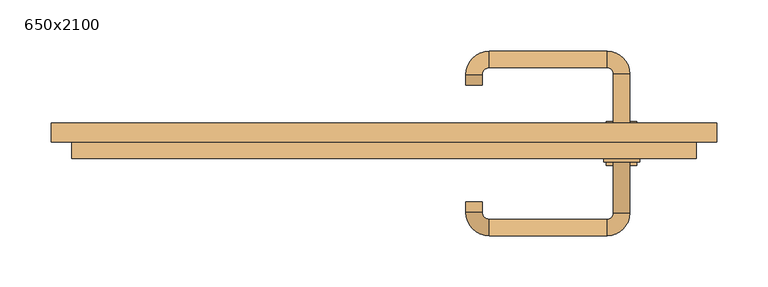
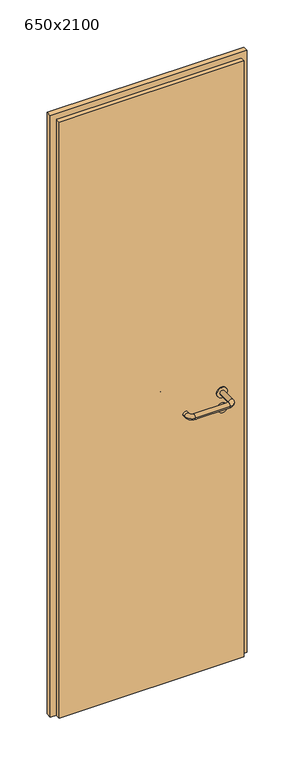
"""IFC4 building model written with IfcOpenShell, lengths in millimetres: door geometry, 650x2100."""

from ifc_helpers import new_model, si_unit, point, frame, frame_2d, origin, origin_with_axes, place, context, project, spatial, polyline, circle_curve, ellipse_curve, trimmed, segment, composite_curve, outline, extrude, source, transform, mapped, element, save
from ifc_brep_helpers import plane_surface, cylinder_surface, revolved_surface, advanced_brep


def door_650x2100_5a0af24a(model_context):
    return source(origin(), model_context, "Body", "SolidModel", [
        extrude(outline(composite_curve([segment(trimmed(circle_curve(frame_2d((897.3605726, 232.0)), 15.0), [point((897.3605726, 247.0))], [point((897.3605726, 217.0))], False, "CARTESIAN"), True, "CONTINUOUS"), segment(trimmed(circle_curve(frame_2d((897.3605726, 232.0)), 15.0), [point((897.3605726, 217.0))], [point((897.3605726, 247.0))], False, "CARTESIAN"), True, "CONTINUOUS")], self_intersect=False), holes=[composite_curve([segment(trimmed(circle_curve(frame_2d((892.5833211, 231.9398032)), 2.0), [point((892.5833211, 233.9398032))], [point((892.5833211, 229.9398032))], True, "CARTESIAN"), True, "CONTINUOUS"), segment(polyline([(892.5833211, 229.9398032), (902.5833211, 229.9398032)]), True, "CONTINUOUS"), segment(trimmed(circle_curve(frame_2d((902.5833211, 231.9398032)), 2.0), [point((902.5833211, 229.9398032))], [point((902.5833211, 233.9398032))], True, "CARTESIAN"), True, "CONTINUOUS"), segment(polyline([(902.5833211, 233.9398032), (892.5833211, 233.9398032)]), True, "CONTINUOUS")], self_intersect=False)]), frame((0.0, -31.35, 0.0), z_axis=(0.0, 1.0, 0.0), x_axis=(0.0, 0.0, 1.0)), (0.0, 0.0, 1.0), 6.35),
        extrude(outline(composite_curve([segment(trimmed(circle_curve(frame_2d((950.0, 232.0)), 17.526), [point((950.0, 249.526))], [point((950.0, 214.474))], False, "CARTESIAN"), True, "CONTINUOUS"), segment(trimmed(circle_curve(frame_2d((950.0, 232.0)), 17.526), [point((950.0, 214.474))], [point((950.0, 249.526))], False, "CARTESIAN"), True, "CONTINUOUS")], self_intersect=False)), frame((0.0, -28.175, 0.0), z_axis=(0.0, 1.0, 0.0), x_axis=(0.0, 0.0, 1.0)), (0.0, 0.0, 1.0), 3.175),
        advanced_brep(
        [(240.0, -25.0, 950.0), (224.0, -25.0, 950.0), (224.0, -78.0, 950.0), (240.0, -78.0, 950.0), (217.8578644, -84.1421356, 950.0), (217.8578644, -100.1421356, 950.0), (102.8578644, -84.1421356, 950.0), (102.8578644, -100.1421356, 950.0), (96.008622, -77.2928932, 950.0), (80.008622, -77.2928932, 950.0), (80.008622, -67.2928932, 950.0), (96.008622, -67.2928932, 950.0)],
        [
            (0, 1, circle_curve(frame((232.0, -25.0, 950.0), z_axis=(0.0, 1.0, 0.0), x_axis=(-1.0, 0.0, 0.0)), 8.0)),
            (1, 0, circle_curve(frame((232.0, -25.0, 950.0), z_axis=(0.0, 1.0, 0.0), x_axis=(-1.0, 0.0, 0.0)), 8.0)),
            (1, 2),
            (2, 3, circle_curve(frame((232.0, -78.0, 950.0), z_axis=(0.0, 1.0, 0.0), x_axis=(-1.0, 0.0, 0.0)), 8.0)),
            (3, 0),
            (3, 2, circle_curve(frame((232.0, -78.0, 950.0), z_axis=(0.0, 1.0, 0.0), x_axis=(-1.0, 0.0, 0.0)), 8.0)),
            (4, 5, circle_curve(frame((217.8578644, -92.1421356, 950.0), z_axis=(1.0, 0.0, 0.0), x_axis=(0.0, 1.0, 0.0)), 8.0)),
            (5, 3, circle_curve(frame((217.8578644, -78.0, 950.0), z_axis=(0.0, 0.0, 1.0), x_axis=(1.0, 0.0, 0.0)), 22.1421356)),
            (2, 4, circle_curve(frame((217.8578644, -78.0, 950.0), z_axis=(0.0, 0.0, -1.0), x_axis=(1.0, 0.0, 0.0)), 6.1421356)),
            (5, 4, circle_curve(frame((217.8578644, -92.1421356, 950.0), z_axis=(1.0, 0.0, 0.0), x_axis=(0.0, 1.0, 0.0)), 8.0)),
            (4, 6),
            (6, 7, circle_curve(frame((102.8578644, -92.1421356, 950.0), z_axis=(1.0, 0.0, 0.0), x_axis=(0.0, 1.0, 0.0)), 8.0)),
            (7, 5),
            (7, 6, circle_curve(frame((102.8578644, -92.1421356, 950.0), z_axis=(1.0, 0.0, 0.0), x_axis=(0.0, 1.0, 0.0)), 8.0)),
            (8, 9, circle_curve(frame((88.008622, -77.2928932, 950.0), z_axis=(0.0, -1.0, 0.0), x_axis=(1.0, 0.0, 0.0)), 8.0)),
            (9, 7, circle_curve(frame((102.8578644, -77.2928932, 950.0), z_axis=(0.0, 0.0, 1.0), x_axis=(0.0, -1.0, 0.0)), 22.8492424)),
            (6, 8, circle_curve(frame((102.8578644, -77.2928932, 950.0), z_axis=(0.0, 0.0, -1.0), x_axis=(0.0, -1.0, 0.0)), 6.8492424)),
            (9, 8, circle_curve(frame((88.008622, -77.2928932, 950.0), z_axis=(0.0, -1.0, 0.0), x_axis=(1.0, 0.0, 0.0)), 8.0)),
            (10, 11, circle_curve(frame((88.008622, -67.2928932, 950.0), z_axis=(0.0, 1.0, 0.0), x_axis=(1.0, 0.0, 0.0)), 8.0)),
            (11, 10, circle_curve(frame((88.008622, -67.2928932, 950.0), z_axis=(0.0, 1.0, 0.0), x_axis=(1.0, 0.0, 0.0)), 8.0)),
            (8, 11),
            (10, 9),
        ],
        [
            plane_surface(frame((232.0, -25.0, 0.0), z_axis=(0.0, 1.0, 0.0), x_axis=(0.0, 0.0, 1.0))),
            cylinder_surface(frame((232.0, -25.0, 950.0), z_axis=(0.0, 1.0, 0.0), x_axis=(-1.0, 0.0, 0.0)), 8.0),
            revolved_surface(trimmed(ellipse_curve(frame((232.0, -78.0, 950.0), z_axis=(0.0, -1.0, 0.0), x_axis=(-1.0, 0.0, 0.0)), 8.0, 8.0), [point((240.0, -78.0, 950.0))], [point((224.0, -78.0, 950.0))], True, "CARTESIAN"), (217.8578644, -78.0, 0.0), (0.0, 0.0, 1.0)),
            revolved_surface(trimmed(ellipse_curve(frame((232.0, -78.0, 950.0), z_axis=(0.0, -1.0, 0.0), x_axis=(-1.0, 0.0, 0.0)), 8.0, 8.0), [point((224.0, -78.0, 950.0))], [point((240.0, -78.0, 950.0))], True, "CARTESIAN"), (217.8578644, -78.0, 0.0), (0.0, 0.0, 1.0)),
            cylinder_surface(frame((217.8578644, -92.1421356, 950.0), z_axis=(1.0, 0.0, 0.0), x_axis=(0.0, 1.0, 0.0)), 8.0),
            revolved_surface(trimmed(ellipse_curve(frame((102.8578644, -92.1421356, 950.0), z_axis=(-1.0, 0.0, 0.0), x_axis=(0.0, 1.0, 0.0)), 8.0, 8.0), [point((102.8578644, -100.1421356, 950.0))], [point((102.8578644, -84.1421356, 950.0))], True, "CARTESIAN"), (102.8578644, -77.2928932, 0.0), (0.0, 0.0, 1.0)),
            revolved_surface(trimmed(ellipse_curve(frame((102.8578644, -92.1421356, 950.0), z_axis=(-1.0, 0.0, 0.0), x_axis=(0.0, 1.0, 0.0)), 8.0, 8.0), [point((102.8578644, -84.1421356, 950.0))], [point((102.8578644, -100.1421356, 950.0))], True, "CARTESIAN"), (102.8578644, -77.2928932, 0.0), (0.0, 0.0, 1.0)),
            plane_surface(frame((88.008622, -67.2928932, 0.0), z_axis=(0.0, 1.0, 0.0), x_axis=(0.0, 0.0, 1.0))),
            cylinder_surface(frame((88.008622, -77.2928932, 950.0), z_axis=(0.0, -1.0, 0.0), x_axis=(1.0, 0.0, 0.0)), 8.0),
        ],
        [
            (0, [[1, 2]]),
            (1, [[3, 4, 5, -2]]),
            (1, [[-5, 6, -3, -1]]),
            (2, [[7, 8, -4, 9]]),
            (3, [[10, -9, -6, -8]]),
            (4, [[11, 12, 13, -7]]),
            (4, [[-13, 14, -11, -10]]),
            (5, [[15, 16, -12, 17]]),
            (6, [[18, -17, -14, -16]]),
            (7, [[19, 20]]),
            (8, [[21, -19, 22, -15]]),
            (8, [[-22, -20, -21, -18]]),
        ],
    ),
        extrude(outline(composite_curve([segment(trimmed(circle_curve(frame_2d((0.0, -15.0)), 15.0), [point((0.0, -30.0))], [point((0.0, 0.0))], False, "CARTESIAN"), True, "CONTINUOUS"), segment(trimmed(circle_curve(frame_2d((0.0, -15.0)), 15.0), [point((0.0, 0.0))], [point((0.0, -30.0))], False, "CARTESIAN"), True, "CONTINUOUS")], self_intersect=False), holes=[composite_curve([segment(trimmed(circle_curve(frame_2d((4.7772515, -14.9398032)), 2.0), [point((4.7772515, -16.9398032))], [point((4.7772515, -12.9398032))], True, "CARTESIAN"), True, "CONTINUOUS"), segment(polyline([(4.7772515, -12.9398032), (-5.2227485, -12.9398032)]), True, "CONTINUOUS"), segment(trimmed(circle_curve(frame_2d((-5.2227485, -14.9398032)), 2.0), [point((-5.2227485, -12.9398032))], [point((-5.2227485, -16.9398032))], True, "CARTESIAN"), True, "CONTINUOUS"), segment(polyline([(-5.2227485, -16.9398032), (4.7772515, -16.9398032)]), True, "CONTINUOUS")], self_intersect=False)]), frame((217.0, 5.0, 897.3605726), z_axis=(1.8870575173328306e-12, 1.0, 0.0), x_axis=(0.0, 0.0, -1.0)), (0.0, 0.0, 1.0), 6.35),
        extrude(outline(composite_curve([segment(trimmed(circle_curve(frame_2d((0.0, -17.526)), 17.526), [point((0.0, -35.052))], [point((0.0, 0.0))], False, "CARTESIAN"), True, "CONTINUOUS"), segment(trimmed(circle_curve(frame_2d((0.0, -17.526)), 17.526), [point((0.0, 0.0))], [point((0.0, -35.052))], False, "CARTESIAN"), True, "CONTINUOUS")], self_intersect=False)), frame((214.474, 5.0, 950.0), z_axis=(1.8870575173328306e-12, 1.0, 0.0), x_axis=(0.0, 0.0, -1.0)), (0.0, 0.0, 1.0), 3.175),
        advanced_brep(
        [(240.0, 5.0, 950.0), (224.0, 5.0, 950.0), (240.0, 58.0, 950.0), (224.0, 58.0, 950.0), (217.8578644, 64.1421356, 950.0), (217.8578644, 80.1421356, 950.0), (102.8578644, 80.1421356, 950.0), (102.8578644, 64.1421356, 950.0), (96.008622, 57.2928932, 950.0), (80.008622, 57.2928932, 950.0), (80.008622, 47.2928932, 950.0), (96.008622, 47.2928932, 950.0)],
        [
            (0, 1, circle_curve(frame((232.0, 5.0, 950.0), z_axis=(-1.888672253512351e-12, -1.0, 0.0), x_axis=(-1.0, 1.888672253512351e-12, 0.0)), 8.0)),
            (1, 0, circle_curve(frame((232.0, 5.0, 950.0), z_axis=(-1.888672253512351e-12, -1.0, 0.0), x_axis=(-1.0, 1.888672253512351e-12, 0.0)), 8.0)),
            (0, 2),
            (2, 3, circle_curve(frame((232.0, 58.0, 950.0), z_axis=(-1.888672253512351e-12, -1.0, 0.0), x_axis=(-1.0, 1.888672253512351e-12, 0.0)), 8.0)),
            (3, 1),
            (3, 2, circle_curve(frame((232.0, 58.0, 950.0), z_axis=(-1.888672253512351e-12, -1.0, 0.0), x_axis=(-1.0, 1.888672253512351e-12, 0.0)), 8.0)),
            (4, 3, circle_curve(frame((217.8578644, 58.0, 950.0), z_axis=(0.0, 0.0, -1.0), x_axis=(1.0, -1.880717803715015e-12, 0.0)), 6.1421356)),
            (2, 5, circle_curve(frame((217.8578644, 58.0, 950.0), z_axis=(0.0, 0.0, 1.0), x_axis=(1.0, -1.880717803715015e-12, 0.0)), 22.1421356)),
            (5, 4, circle_curve(frame((217.8578644, 72.1421356, 950.0), z_axis=(1.0, -1.913702061528922e-12, 0.0), x_axis=(-1.913702061528922e-12, -1.0, 0.0)), 8.0)),
            (4, 5, circle_curve(frame((217.8578644, 72.1421356, 950.0), z_axis=(1.0, -1.913702061528922e-12, 0.0), x_axis=(-1.913702061528922e-12, -1.0, 0.0)), 8.0)),
            (5, 6),
            (6, 7, circle_curve(frame((102.8578644, 72.1421356, 950.0), z_axis=(1.0, -1.913719828541269e-12, 0.0), x_axis=(-1.913719828541269e-12, -1.0, 0.0)), 8.0)),
            (7, 4),
            (7, 6, circle_curve(frame((102.8578644, 72.1421356, 950.0), z_axis=(1.0, -1.913719828541269e-12, 0.0), x_axis=(-1.913719828541269e-12, -1.0, 0.0)), 8.0)),
            (8, 7, circle_curve(frame((102.8578644, 57.2928932, 950.0), z_axis=(0.0, 0.0, -1.0), x_axis=(1.9120873253494017e-12, 1.0, 0.0)), 6.8492424)),
            (6, 9, circle_curve(frame((102.8578644, 57.2928932, 950.0), z_axis=(0.0, 0.0, 1.0), x_axis=(1.9120873253494017e-12, 1.0, 0.0)), 22.8492424)),
            (9, 8, circle_curve(frame((88.008622, 57.2928932, 950.0), z_axis=(1.890448610351751e-12, 1.0, 0.0), x_axis=(1.0, -1.890448610351751e-12, 0.0)), 8.0)),
            (8, 9, circle_curve(frame((88.008622, 57.2928932, 950.0), z_axis=(1.8888942981172756e-12, 1.0, 0.0), x_axis=(1.0, -1.8888942981172756e-12, 0.0)), 8.0)),
            (10, 11, circle_curve(frame((88.008622, 47.2928932, 950.0), z_axis=(-1.8903642334018795e-12, -1.0, 0.0), x_axis=(1.0, -1.8903642334018795e-12, 0.0)), 8.0)),
            (11, 10, circle_curve(frame((88.008622, 47.2928932, 950.0), z_axis=(-1.8903642334018795e-12, -1.0, 0.0), x_axis=(1.0, -1.8903642334018795e-12, 0.0)), 8.0)),
            (9, 10),
            (11, 8),
        ],
        [
            plane_surface(frame((232.0, 5.0, 0.0), z_axis=(-1.8870575173328306e-12, -1.0, 0.0), x_axis=(0.0, 0.0, 1.0))),
            cylinder_surface(frame((232.0, 5.0, 950.0), z_axis=(-1.888672253512351e-12, -1.0, 0.0), x_axis=(-1.0, 1.888672253512351e-12, 0.0)), 8.0),
            revolved_surface(trimmed(ellipse_curve(frame((232.0, 58.0, 950.0), z_axis=(-1.8823325398945356e-12, -1.0, 0.0), x_axis=(-1.0, 1.8823325398945356e-12, 0.0)), 8.0, 8.0), [point((240.0, 58.0, 950.0))], [point((224.0, 58.0, 950.0))], True, "CARTESIAN"), (217.8578644, 58.0, 0.0), (0.0, 0.0, 1.0)),
            revolved_surface(trimmed(ellipse_curve(frame((232.0, 58.0, 950.0), z_axis=(-1.8823325398945356e-12, -1.0, 0.0), x_axis=(-1.0, 1.8823325398945356e-12, 0.0)), 8.0, 8.0), [point((224.0, 58.0, 950.0))], [point((240.0, 58.0, 950.0))], True, "CARTESIAN"), (217.8578644, 58.0, 0.0), (0.0, 0.0, 1.0)),
            cylinder_surface(frame((217.8578644, 72.1421356, 950.0), z_axis=(1.0, -1.913719828541269e-12, 0.0), x_axis=(-1.913719828541269e-12, -1.0, 0.0)), 8.0),
            revolved_surface(trimmed(ellipse_curve(frame((102.8578644, 72.1421356, 950.0), z_axis=(1.0, -1.913702061528922e-12, 0.0), x_axis=(-1.913702061528922e-12, -1.0, 0.0)), 8.0, 8.0), [point((102.8578644, 80.1421356, 950.0))], [point((102.8578644, 64.1421356, 950.0))], True, "CARTESIAN"), (102.8578644, 57.2928932, 0.0), (0.0, 0.0, 1.0)),
            revolved_surface(trimmed(ellipse_curve(frame((102.8578644, 72.1421356, 950.0), z_axis=(1.0, -1.913702061528922e-12, 0.0), x_axis=(-1.913702061528922e-12, -1.0, 0.0)), 8.0, 8.0), [point((102.8578644, 64.1421356, 950.0))], [point((102.8578644, 80.1421356, 950.0))], True, "CARTESIAN"), (102.8578644, 57.2928932, 0.0), (0.0, 0.0, 1.0)),
            plane_surface(frame((88.008622, 47.2928932, 0.0), z_axis=(-1.8887494972223595e-12, -1.0, 0.0), x_axis=(0.0, 0.0, 1.0))),
            cylinder_surface(frame((88.008622, 57.2928932, 950.0), z_axis=(1.8903642334018795e-12, 1.0, 0.0), x_axis=(1.0, -1.8903642334018795e-12, 0.0)), 8.0),
        ],
        [
            (0, [[1, 2]]),
            (1, [[-1, 3, 4, 5]]),
            (1, [[-2, -5, 6, -3]]),
            (2, [[7, -4, 8, 9]]),
            (3, [[-8, -6, -7, 10]]),
            (4, [[-9, 11, 12, 13]]),
            (4, [[-10, -13, 14, -11]]),
            (5, [[15, -12, 16, 17]]),
            (6, [[-16, -14, -15, 18]]),
            (7, [[19, 20]]),
            (8, [[-17, 21, -20, 22]]),
            (8, [[-18, -22, -19, -21]]),
        ],
    ),
        extrude(outline(polyline([(2080.0, 305.0), (0.0, 305.0), (0.0, 325.0), (2100.0, 325.0), (2100.0, -325.0), (0.0, -325.0), (0.0, -305.0), (2080.0, -305.0), (2080.0, 305.0)])), frame((0.0, -9.0, 0.0), z_axis=(0.0, 1.0, 0.0), x_axis=(0.0, 0.0, 1.0)), (0.0, 0.0, 1.0), 19.0),
        extrude(outline(polyline([(-305.0, 5.0), (305.0, 5.0), (305.0, -25.0), (-305.0, -25.0), (-305.0, 5.0)])), origin_with_axes(), (0.0, 0.0, 1.0), 2080.0),
    ])


if __name__ == "__main__":
    model = new_model("IFC4")
    model_context = context("Model", 3, world=origin())
    ifc_project = project(units=[si_unit("LENGTHUNIT", "METRE", prefix="MILLI")], contexts=[model_context])
    site = spatial("IfcSite", under=ifc_project)
    building = spatial("IfcBuilding", under=site)
    placement = place(None, origin())
    door_650x2100_shape = door_650x2100_5a0af24a(model_context)
    element("IfcDoor", 1, ObjectType="650x2100", at=placement, inside=building, context=model_context, shape_type="MappedRepresentation", body=[
        mapped(door_650x2100_shape, transform((0.0, 0.0, 0.0), x_axis=(1.0, 0.0, 0.0), y_axis=(0.0, 1.0, 0.0), z_axis=(0.0, 0.0, 1.0))),
    ])
    save(model, "model.ifc")
